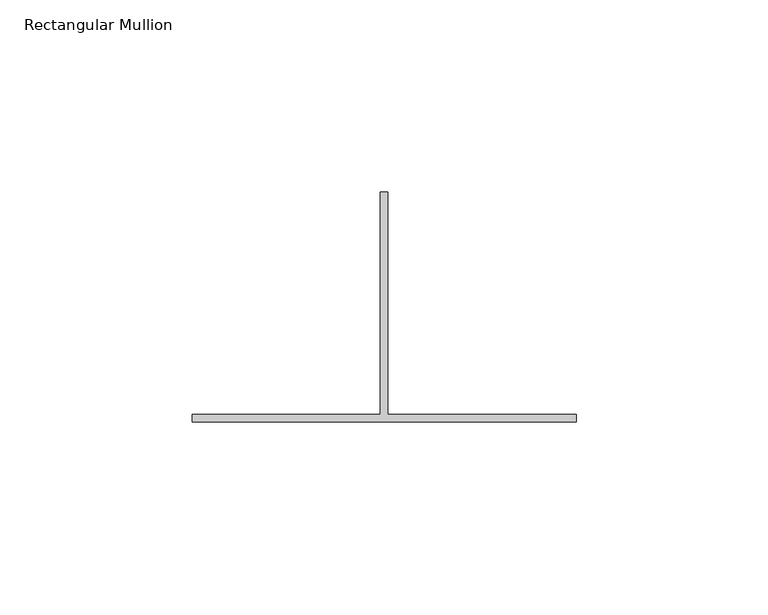
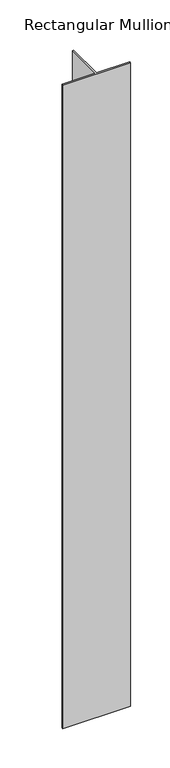
"""IFC4 building model written with IfcOpenShell, lengths in millimetres: member geometry, Rectangular Mullion."""

from ifc_helpers import new_model, si_unit, frame, origin, place, context, project, spatial, polyline, outline, extrude, source, transform, mapped, element, save


def rectangular_mullion_49f6cf34(model_context):
    return source(origin(), model_context, "Body", "SweptSolid", [
        extrude(outline(polyline([(49.0, -282.0), (-51.0, -282.0), (-51.0, -280.0), (-2.0, -280.0), (-2.0, -222.0), (0.0, -222.0), (0.0, -280.0), (49.0, -280.0), (49.0, -282.0)])), frame((0.0, 0.0, -1000.0), z_axis=(0.0, 0.0, 1.0), x_axis=(1.0, 0.0, 0.0)), (0.0, 0.0, 1.0), 1000.0),
    ])


if __name__ == "__main__":
    model = new_model("IFC4")
    model_context = context("Model", 3, world=origin())
    ifc_project = project(units=[si_unit("LENGTHUNIT", "METRE", prefix="MILLI")], contexts=[model_context])
    site = spatial("IfcSite", under=ifc_project)
    building = spatial("IfcBuilding", under=site)
    placement = place(None, origin())
    rectangular_mullion_shape = rectangular_mullion_49f6cf34(model_context)
    element("IfcMember", 1, ObjectType="Rectangular Mullion", at=placement, inside=building, context=model_context, shape_type="MappedRepresentation", body=[
        mapped(rectangular_mullion_shape, transform((0.0, 0.0, 0.0), x_axis=(1.0, 0.0, 0.0), y_axis=(0.0, 1.0, 0.0), z_axis=(0.0, 0.0, 1.0))),
    ])
    save(model, "model.ifc")
